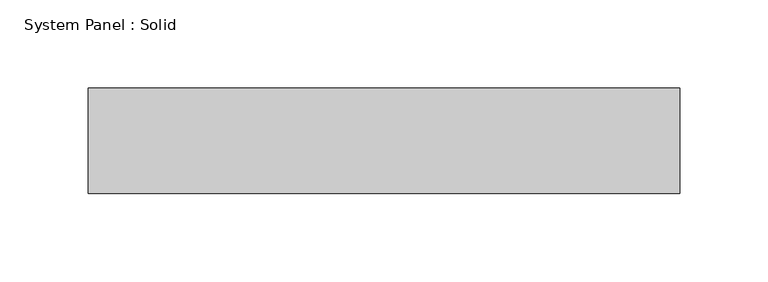
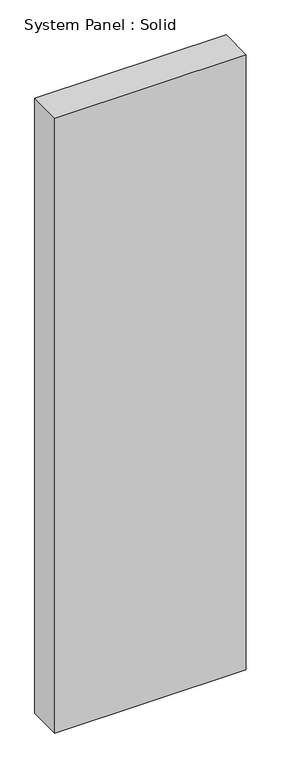
"""IFC4 building model written with IfcOpenShell, lengths in millimetres: plate geometry, System Panel : Solid."""

from ifc_helpers import new_model, si_unit, origin, origin_with_axes, place, context, project, spatial, polyline, outline, extrude, source, transform, mapped, element, save


def system_panel_solid_9a9c73b1(model_context):
    return source(origin(), model_context, "Body", "SweptSolid", [
        extrude(outline(polyline([(168.0, -10.5), (-168.0, -10.5), (-168.0, 49.5), (168.0, 49.5), (168.0, -10.5)])), origin_with_axes(), (0.0, 0.0, 1.0), 1140.0),
    ])


if __name__ == "__main__":
    model = new_model("IFC4")
    model_context = context("Model", 3, world=origin())
    ifc_project = project(units=[si_unit("LENGTHUNIT", "METRE", prefix="MILLI")], contexts=[model_context])
    site = spatial("IfcSite", under=ifc_project)
    building = spatial("IfcBuilding", under=site)
    placement = place(None, origin())
    system_panel_solid_shape = system_panel_solid_9a9c73b1(model_context)
    element("IfcPlate", 1, ObjectType="System Panel : Solid", at=placement, inside=building, context=model_context, shape_type="MappedRepresentation", body=[
        mapped(system_panel_solid_shape, transform((0.0, 0.0, 0.0), x_axis=(1.0, 0.0, 0.0), y_axis=(0.0, 1.0, 0.0), z_axis=(0.0, 0.0, 1.0))),
    ])
    save(model, "model.ifc")
